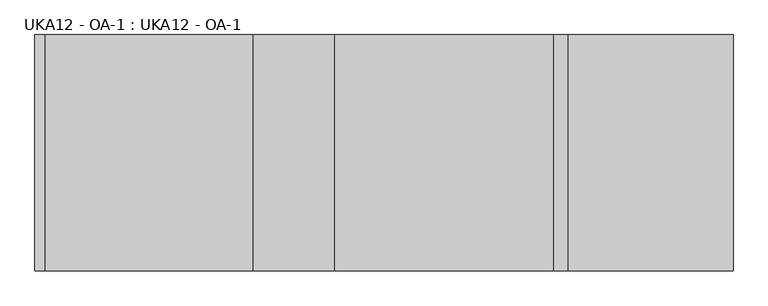
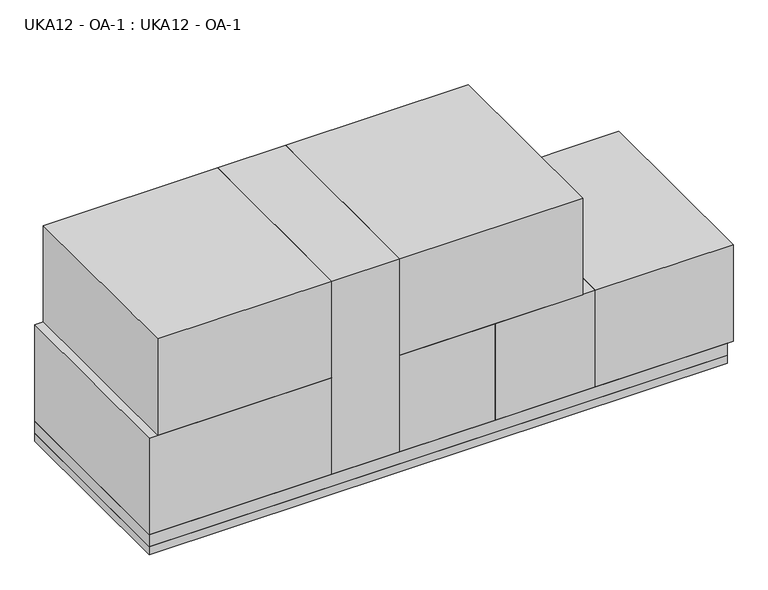
"""IFC4 building model written with IfcOpenShell, lengths in millimetres: proxy geometry, UKA12 - OA-1 : UKA12 - OA-1."""

from ifc_helpers import new_model, si_unit, frame, origin, origin_with_axes, place, context, project, spatial, polyline, outline, extrude, source, transform, mapped, element, save


def uka12_oa_1_uka12_oa_1_b5852ab7(model_context):
    return source(origin(), model_context, "Body", "SweptSolid", [
        extrude(outline(polyline([(4135.2325838, -2362.2), (2997.2, -2362.2), (2997.2, 0.0), (4135.2325838, 0.0), (4135.2325838, -2362.2)])), frame((0.0, 0.0, 254.0), z_axis=(0.0, 0.0, 1.0), x_axis=(1.0, 0.0, 0.0)), (0.0, 0.0, 1.0), 1219.2),
        extrude(outline(polyline([(5181.6, -2362.2), (2997.2, -2362.2), (2997.2, 0.0), (5181.6, 0.0), (5181.6, -2362.2)])), frame((0.0, 0.0, 1473.2), z_axis=(0.0, 0.0, 1.0), x_axis=(1.0, 0.0, 0.0)), (0.0, 0.0, 1.0), 1219.2),
        extrude(outline(polyline([(6980.0325838, -2362.2), (5334.0, -2362.2), (5334.0, 0.0), (6980.0325838, 0.0), (6980.0325838, -2362.2)])), frame((0.0, 0.0, 254.0), z_axis=(0.0, 0.0, 1.0), x_axis=(1.0, 0.0, 0.0)), (0.0, 0.0, 1.0), 1219.2),
        extrude(outline(polyline([(5334.0, -2362.2), (4135.2325838, -2362.2), (4135.2325838, 0.0), (5334.0, 0.0), (5334.0, -2362.2)])), frame((0.0, 0.0, 254.0), z_axis=(0.0, 0.0, 1.0), x_axis=(1.0, 0.0, 0.0)), (0.0, 0.0, 1.0), 1219.2),
        extrude(outline(polyline([(2997.2, -2362.2), (2184.4, -2362.2), (2184.4, 0.0), (2997.2, 0.0), (2997.2, -2362.2)])), frame((0.0, 0.0, 254.0), z_axis=(0.0, 0.0, 1.0), x_axis=(1.0, 0.0, 0.0)), (0.0, 0.0, 1.0), 2438.4),
        extrude(outline(polyline([(2184.4, -2362.2), (101.6, -2362.2), (101.6, 0.0), (2184.4, 0.0), (2184.4, -2362.2)])), frame((0.0, 0.0, 1473.2), z_axis=(0.0, 0.0, 1.0), x_axis=(1.0, 0.0, 0.0)), (0.0, 0.0, 1.0), 1219.2),
        extrude(outline(polyline([(2184.4, -2362.2), (0.0, -2362.2), (0.0, 0.0), (2184.4, 0.0), (2184.4, -2362.2)])), frame((0.0, 0.0, 254.0), z_axis=(0.0, 0.0, 1.0), x_axis=(1.0, 0.0, 0.0)), (0.0, 0.0, 1.0), 1219.2),
        extrude(outline(polyline([(0.0, 0.0), (6908.8, 0.0), (6908.8, -2362.2), (0.0, -2362.2), (0.0, 0.0)])), frame((0.0, 0.0, 101.6), z_axis=(0.0, 0.0, 1.0), x_axis=(1.0, 0.0, 0.0)), (0.0, 0.0, 1.0), 152.4),
        extrude(outline(polyline([(6908.8, 0.0), (6908.8, -2362.2), (0.0, -2362.2), (0.0, 0.0), (6908.8, 0.0)])), origin_with_axes(), (0.0, 0.0, 1.0), 101.6),
    ])


if __name__ == "__main__":
    model = new_model("IFC4")
    model_context = context("Model", 3, world=origin())
    ifc_project = project(units=[si_unit("LENGTHUNIT", "METRE", prefix="MILLI")], contexts=[model_context])
    site = spatial("IfcSite", under=ifc_project)
    building = spatial("IfcBuilding", under=site)
    placement = place(None, origin())
    uka12_oa_1_uka12_oa_1_shape = uka12_oa_1_uka12_oa_1_b5852ab7(model_context)
    element("IfcBuildingElementProxy", 1, Name="UKA12 - OA-1 : UKA12 - OA-1", ObjectType="UKA12 - OA-1 : UKA12 - OA-1", at=placement, inside=building, context=model_context, shape_type="MappedRepresentation", body=[
        mapped(uka12_oa_1_uka12_oa_1_shape, transform((0.0, 0.0, 0.0), x_axis=(1.0, 0.0, 0.0), y_axis=(0.0, 1.0, 0.0), z_axis=(0.0, 0.0, 1.0))),
    ])
    save(model, "model.ifc")
